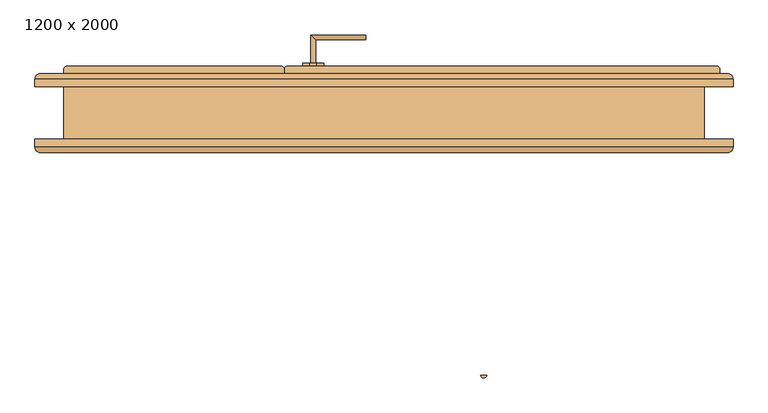
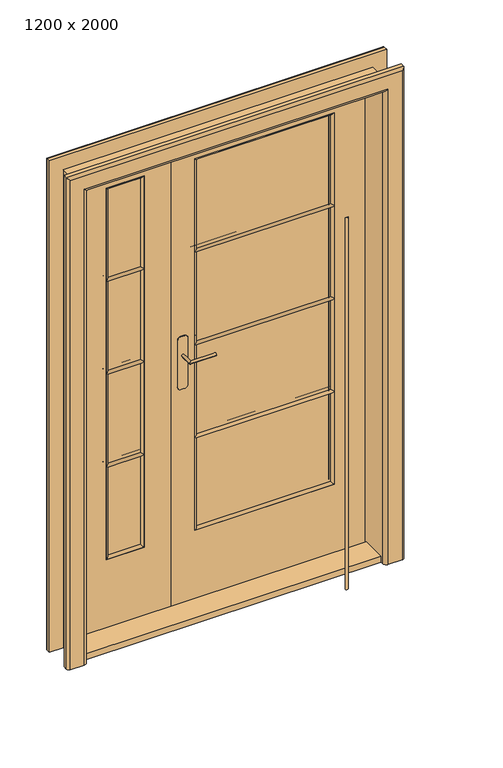
"""IFC4 building model written with IfcOpenShell, lengths in millimetres: door geometry, 1200 x 2000."""

from ifc_helpers import new_model, si_unit, point, frame, frame_2d, origin, origin_with_axes, place, context, project, spatial, polyline, circle_curve, ellipse_curve, trimmed, segment, composite_curve, outline, extrude, source, transform, mapped, element, save
from ifc_brep_helpers import plane_surface, cylinder_surface, advanced_brep


def door_1200_x_2000_8d7d0567(model_context):
    return source(origin(), model_context, "Body", "SolidModel", [
        extrude(outline(polyline([(200.0, 95.0), (50.0, 95.0), (50.0, 105.0), (200.0, 105.0), (200.0, 95.0)])), frame((0.0, 0.0, 300.0), z_axis=(0.0, 0.0, 1.0), x_axis=(1.0, 0.0, 0.0)), (0.0, 0.0, 1.0), 1550.0),
        advanced_brep(
        [(-125.0, 100.0, 1985.0), (-115.0, 100.0, 1985.0), (-115.0, 85.0, 1985.0), (305.0, 85.0, 1985.0), (305.0, 100.0, 1985.0), (295.0, 100.0, 1985.0), (295.0, 108.0, 1985.0), (288.0, 115.0, 1985.0), (-118.0, 115.0, 1985.0), (-125.0, 108.0, 1985.0), (-125.0, 100.0, 0.0), (-125.0, 108.0, 0.0), (-118.0, 115.0, 0.0), (288.0, 115.0, 0.0), (295.0, 108.0, 0.0), (295.0, 100.0, 0.0), (305.0, 100.0, 0.0), (305.0, 85.0, 0.0), (-115.0, 85.0, 0.0), (-115.0, 100.0, 0.0), (200.0, 85.0, 300.0), (50.0, 85.0, 300.0), (50.0, 85.0, 1850.0), (200.0, 85.0, 1850.0), (50.0, 115.0, 300.0), (200.0, 115.0, 300.0), (200.0, 115.0, 1850.0), (50.0, 115.0, 1850.0)],
        [
            (0, 1),
            (1, 2),
            (2, 3),
            (3, 4),
            (4, 5),
            (5, 6),
            (6, 7, circle_curve(frame((288.0, 108.0, 1985.0), z_axis=(0.0, 0.0, 1.0), x_axis=(1.0, 0.0, 0.0)), 7.0)),
            (7, 8),
            (8, 9, circle_curve(frame((-118.0, 108.0, 1985.0), z_axis=(0.0, 0.0, 1.0), x_axis=(1.0, 0.0, 0.0)), 7.0)),
            (9, 0),
            (10, 11),
            (11, 12, circle_curve(frame((-118.0, 108.0, 0.0), z_axis=(0.0, 0.0, -1.0), x_axis=(1.0, 0.0, 0.0)), 7.0)),
            (12, 13),
            (13, 14, circle_curve(frame((288.0, 108.0, 0.0), z_axis=(0.0, 0.0, -1.0), x_axis=(1.0, 0.0, 0.0)), 7.0)),
            (14, 15),
            (15, 16),
            (16, 17),
            (17, 18),
            (18, 19),
            (19, 10),
            (0, 10),
            (19, 1),
            (18, 2),
            (17, 3),
            (20, 21),
            (21, 22),
            (22, 23),
            (23, 20),
            (16, 4),
            (15, 5),
            (14, 6),
            (13, 7),
            (12, 8),
            (24, 25),
            (25, 26),
            (26, 27),
            (27, 24),
            (11, 9),
            (20, 25),
            (24, 21),
            (23, 26),
            (22, 27),
        ],
        [
            plane_surface(frame((-115.0, 100.0, 1985.0), z_axis=(0.0, 0.0, 1.0), x_axis=(1.0, 0.0, 0.0))),
            plane_surface(frame((-115.0, 100.0, 0.0), z_axis=(0.0, 0.0, -1.0), x_axis=(-1.0, 0.0, 0.0))),
            plane_surface(frame((-125.0, 100.0, 1985.0), z_axis=(0.0, -1.0, 0.0), x_axis=(0.0, 0.0, -1.0))),
            plane_surface(frame((-115.0, 100.0, 1985.0), z_axis=(-1.0, 0.0, 0.0), x_axis=(0.0, 0.0, -1.0))),
            plane_surface(frame((-115.0, 85.0, 1985.0), z_axis=(0.0, -1.0, 0.0), x_axis=(0.0, 0.0, -1.0))),
            plane_surface(frame((305.0, 85.0, 1985.0), z_axis=(1.0, 0.0, 0.0), x_axis=(0.0, 0.0, -1.0))),
            plane_surface(frame((305.0, 100.0, 1985.0), z_axis=(0.0, 1.0, 0.0), x_axis=(0.0, 0.0, -1.0))),
            plane_surface(frame((295.0, 100.0, 1985.0), z_axis=(1.0, 0.0, 0.0), x_axis=(0.0, 0.0, -1.0))),
            cylinder_surface(frame((288.0, 108.0, 0.0), z_axis=(0.0, 0.0, 1.0), x_axis=(1.0, 0.0, 0.0)), 7.0),
            plane_surface(frame((288.0, 115.0, 1985.0), z_axis=(0.0, 1.0, 0.0), x_axis=(0.0, 0.0, -1.0))),
            cylinder_surface(frame((-118.0, 108.0, 0.0), z_axis=(0.0, 0.0, 1.0), x_axis=(1.0, 0.0, 0.0)), 7.0),
            plane_surface(frame((-125.0, 108.0, 1985.0), z_axis=(-1.0, 0.0, 0.0), x_axis=(0.0, 0.0, -1.0))),
            plane_surface(frame((50.0, 85.0, 300.0), z_axis=(0.0, 0.0, 1.0), x_axis=(0.0, 1.0, 0.0))),
            plane_surface(frame((200.0, 85.0, 300.0), z_axis=(-1.0, 0.0, 0.0), x_axis=(0.0, 1.0, 0.0))),
            plane_surface(frame((200.0, 85.0, 1850.0), z_axis=(0.0, 0.0, -1.0), x_axis=(0.0, 1.0, 0.0))),
            plane_surface(frame((50.0, 85.0, 1850.0), z_axis=(1.0, 0.0, 0.0), x_axis=(0.0, 1.0, 0.0))),
        ],
        [
            (0, [[1, 2, 3, 4, 5, 6, 7, 8, 9, 10]]),
            (1, [[11, 12, 13, 14, 15, 16, 17, 18, 19, 20]]),
            (2, [[-1, 21, -20, 22]]),
            (3, [[-2, -22, -19, 23]]),
            (4, [[-3, -23, -18, 24], [25, 26, 27, 28]]),
            (5, [[-4, -24, -17, 29]]),
            (6, [[-5, -29, -16, 30]]),
            (7, [[-6, -30, -15, 31]]),
            (8, [[-7, -31, -14, 32]]),
            (9, [[-8, -32, -13, 33], [34, 35, 36, 37]]),
            (10, [[-9, -33, -12, 38]]),
            (11, [[-10, -38, -11, -21]]),
            (12, [[39, -34, 40, -25]]),
            (13, [[-39, -28, 41, -35]]),
            (14, [[-41, -27, 42, -36]]),
            (15, [[-40, -37, -42, -26]]),
        ],
    ),
        extrude(outline(composite_curve([segment(trimmed(circle_curve(frame_2d((675.0, -473.75)), 6.25), [point((681.1237244, -475.0))], [point((668.8762756, -475.0))], False, "CARTESIAN"), True, "CONTINUOUS"), segment(polyline([(668.8762756, -475.0), (681.1237244, -475.0)]), True, "CONTINUOUS")], self_intersect=False)), frame((0.0, 0.0, 300.0), z_axis=(0.0, 0.0, 1.0), x_axis=(1.0, 0.0, 0.0)), (0.0, 0.0, 1.0), 1550.0),
        extrude(outline(polyline([(950.0, 95.0), (400.0, 95.0), (400.0, 105.0), (950.0, 105.0), (950.0, 95.0)])), frame((0.0, 0.0, 300.0), z_axis=(0.0, 0.0, 1.0), x_axis=(1.0, 0.0, 0.0)), (0.0, 0.0, 1.0), 1550.0),
        advanced_brep(
        [(1115.0, 85.0, 1985.0), (1115.0, 100.0, 1985.0), (1125.0, 100.0, 1985.0), (1125.0, 108.0, 1985.0), (1118.0, 115.0, 1985.0), (302.0, 115.0, 1985.0), (295.0, 108.0, 1985.0), (295.0, 100.0, 1985.0), (305.0, 100.0, 1985.0), (305.0, 85.0, 1985.0), (1115.0, 85.0, 0.0), (305.0, 85.0, 0.0), (305.0, 100.0, 0.0), (295.0, 100.0, 0.0), (295.0, 108.0, 0.0), (302.0, 115.0, 0.0), (1118.0, 115.0, 0.0), (1125.0, 108.0, 0.0), (1125.0, 100.0, 0.0), (1115.0, 100.0, 0.0), (400.0, 115.0, 300.0), (950.0, 115.0, 300.0), (950.0, 115.0, 1850.0), (400.0, 115.0, 1850.0), (950.0, 85.0, 300.0), (400.0, 85.0, 300.0), (400.0, 85.0, 1850.0), (950.0, 85.0, 1850.0)],
        [
            (0, 1),
            (1, 2),
            (2, 3),
            (3, 4, circle_curve(frame((1118.0, 108.0, 1985.0), z_axis=(0.0, 0.0, 1.0), x_axis=(1.0, 0.0, 0.0)), 7.0)),
            (4, 5),
            (5, 6, circle_curve(frame((302.0, 108.0, 1985.0), z_axis=(0.0, 0.0, 1.0), x_axis=(1.0, 0.0, 0.0)), 7.0)),
            (6, 7),
            (7, 8),
            (8, 9),
            (9, 0),
            (10, 11),
            (11, 12),
            (12, 13),
            (13, 14),
            (14, 15, circle_curve(frame((302.0, 108.0, 0.0), z_axis=(0.0, 0.0, -1.0), x_axis=(1.0, 0.0, 0.0)), 7.0)),
            (15, 16),
            (16, 17, circle_curve(frame((1118.0, 108.0, 0.0), z_axis=(0.0, 0.0, -1.0), x_axis=(1.0, 0.0, 0.0)), 7.0)),
            (17, 18),
            (18, 19),
            (19, 10),
            (0, 10),
            (19, 1),
            (18, 2),
            (17, 3),
            (16, 4),
            (15, 5),
            (20, 21),
            (21, 22),
            (22, 23),
            (23, 20),
            (14, 6),
            (13, 7),
            (12, 8),
            (11, 9),
            (24, 25),
            (25, 26),
            (26, 27),
            (27, 24),
            (24, 21),
            (20, 25),
            (27, 22),
            (26, 23),
        ],
        [
            plane_surface(frame((1115.0, 100.0, 1985.0), z_axis=(0.0, 0.0, 1.0), x_axis=(0.0, 1.0, 0.0))),
            plane_surface(frame((1115.0, 100.0, 0.0), z_axis=(0.0, 0.0, -1.0), x_axis=(0.0, -1.0, 0.0))),
            plane_surface(frame((1115.0, 85.0, 1985.0), z_axis=(1.0, 0.0, 0.0), x_axis=(0.0, 0.0, -1.0))),
            plane_surface(frame((1115.0, 100.0, 1985.0), z_axis=(0.0, -1.0, 0.0), x_axis=(0.0, 0.0, -1.0))),
            plane_surface(frame((1125.0, 100.0, 1985.0), z_axis=(1.0, 0.0, 0.0), x_axis=(0.0, 0.0, -1.0))),
            cylinder_surface(frame((1118.0, 108.0, 0.0), z_axis=(0.0, 0.0, 1.0), x_axis=(1.0, 0.0, 0.0)), 7.0),
            plane_surface(frame((1118.0, 115.0, 1985.0), z_axis=(0.0, 1.0, 0.0), x_axis=(0.0, 0.0, -1.0))),
            cylinder_surface(frame((302.0, 108.0, 0.0), z_axis=(0.0, 0.0, 1.0), x_axis=(1.0, 0.0, 0.0)), 7.0),
            plane_surface(frame((295.0, 108.0, 1985.0), z_axis=(-1.0, 0.0, 0.0), x_axis=(0.0, 0.0, -1.0))),
            plane_surface(frame((295.0, 100.0, 1985.0), z_axis=(0.0, -1.0, 0.0), x_axis=(0.0, 0.0, -1.0))),
            plane_surface(frame((305.0, 100.0, 1985.0), z_axis=(-1.0, 0.0, 0.0), x_axis=(0.0, 0.0, -1.0))),
            plane_surface(frame((305.0, 85.0, 1985.0), z_axis=(0.0, -1.0, 0.0), x_axis=(0.0, 0.0, -1.0))),
            plane_surface(frame((400.0, 85.0, 300.0), z_axis=(0.0, 0.0, 1.0), x_axis=(0.0, 1.0, 0.0))),
            plane_surface(frame((950.0, 85.0, 300.0), z_axis=(-1.0, 0.0, 0.0), x_axis=(0.0, 1.0, 0.0))),
            plane_surface(frame((950.0, 85.0, 1850.0), z_axis=(0.0, 0.0, -1.0), x_axis=(0.0, 1.0, 0.0))),
            plane_surface(frame((400.0, 85.0, 1850.0), z_axis=(1.0, 0.0, 0.0), x_axis=(0.0, 1.0, 0.0))),
        ],
        [
            (0, [[1, 2, 3, 4, 5, 6, 7, 8, 9, 10]]),
            (1, [[11, 12, 13, 14, 15, 16, 17, 18, 19, 20]]),
            (2, [[-1, 21, -20, 22]]),
            (3, [[-2, -22, -19, 23]]),
            (4, [[-3, -23, -18, 24]]),
            (5, [[-4, -24, -17, 25]]),
            (6, [[-5, -25, -16, 26], [27, 28, 29, 30]]),
            (7, [[-6, -26, -15, 31]]),
            (8, [[-7, -31, -14, 32]]),
            (9, [[-8, -32, -13, 33]]),
            (10, [[-9, -33, -12, 34]]),
            (11, [[-10, -34, -11, -21], [35, 36, 37, 38]]),
            (12, [[39, -27, 40, -35]]),
            (13, [[-39, -38, 41, -28]]),
            (14, [[-41, -37, 42, -29]]),
            (15, [[-40, -30, -42, -36]]),
        ],
    ),
        advanced_brep(
        [(-180.0, -25.0, 0.0), (-125.0, -25.0, 0.0), (-125.0, 75.0, 0.0), (-180.0, 75.0, 0.0), (-180.0, 90.0, 0.0), (-170.0, 100.0, 0.0), (-115.0, 100.0, 0.0), (-115.0, 85.0, 0.0), (-100.0, 85.0, 0.0), (-100.0, -35.0, 0.0), (-115.0, -50.0, 0.0), (-170.0, -50.0, 0.0), (-180.0, -40.0, 0.0), (-180.0, -25.0, 2050.0), (1150.0, -25.0, 2050.0), (1150.0, -25.0, 0.0), (1095.0, -25.0, 0.0), (1095.0, -25.0, 1995.0), (-125.0, -25.0, 1995.0), (-125.0, 75.0, 1995.0), (1095.0, 75.0, 1995.0), (1095.0, 75.0, 0.0), (1150.0, 75.0, 0.0), (1150.0, 75.0, 2050.0), (-180.0, 75.0, 2050.0), (-180.0, 90.0, 2050.0), (-170.0, 100.0, 2040.0), (1140.0, 100.0, 2040.0), (1140.0, 100.0, 0.0), (1085.0, 100.0, 0.0), (1085.0, 100.0, 1985.0), (-115.0, 100.0, 1985.0), (-115.0, 85.0, 1985.0), (1085.0, 85.0, 1985.0), (1085.0, 85.0, 0.0), (1070.0, 85.0, 0.0), (1070.0, 85.0, 1970.0), (-100.0, 85.0, 1970.0), (-100.0, -35.0, 1970.0), (-115.0, -50.0, 1985.0), (1085.0, -50.0, 1985.0), (1085.0, -50.0, 0.0), (1140.0, -50.0, 0.0), (1140.0, -50.0, 2040.0), (-170.0, -50.0, 2040.0), (-180.0, -40.0, 2050.0), (1150.0, 90.0, 2050.0), (1070.0, -35.0, 1970.0), (1150.0, -40.0, 2050.0), (1150.0, -40.0, 0.0), (1070.0, -35.0, 0.0), (1150.0, 90.0, 0.0)],
        [
            (0, 1),
            (1, 2),
            (2, 3),
            (3, 4),
            (4, 5, circle_curve(frame((-170.0, 90.0, 0.0), z_axis=(0.0, 0.0, -1.0), x_axis=(-1.0, 0.0, 0.0)), 10.0)),
            (5, 6),
            (6, 7),
            (7, 8),
            (8, 9),
            (9, 10, circle_curve(frame((-115.0, -35.0, 0.0), z_axis=(0.0, 0.0, -1.0), x_axis=(-1.0, 0.0, 0.0)), 15.0)),
            (10, 11),
            (11, 12, circle_curve(frame((-170.0, -40.0, 0.0), z_axis=(0.0, 0.0, -1.0), x_axis=(-1.0, 0.0, 0.0)), 10.0)),
            (12, 0),
            (0, 13),
            (13, 14),
            (14, 15),
            (15, 16),
            (16, 17),
            (17, 18),
            (18, 1),
            (18, 19),
            (19, 2),
            (19, 20),
            (20, 21),
            (21, 22),
            (22, 23),
            (23, 24),
            (24, 3),
            (24, 25),
            (25, 4),
            (25, 26, ellipse_curve(frame((-170.0, 90.0, 2040.0), z_axis=(-0.7071067811865475, 0.0, -0.7071067811865475), x_axis=(0.7071067811865474, 0.0, -0.7071067811865476)), 14.1421356, 10.0)),
            (26, 5),
            (26, 27),
            (27, 28),
            (28, 29),
            (29, 30),
            (30, 31),
            (31, 6),
            (31, 32),
            (32, 7),
            (32, 33),
            (33, 34),
            (34, 35),
            (35, 36),
            (36, 37),
            (37, 8),
            (37, 38),
            (38, 9),
            (38, 39, ellipse_curve(frame((-115.0, -35.0, 1985.0), z_axis=(-0.7071067811865475, 0.0, -0.7071067811865475), x_axis=(0.7071067811865474, 0.0, -0.7071067811865476)), 21.2132034, 15.0)),
            (39, 10),
            (39, 40),
            (40, 41),
            (41, 42),
            (42, 43),
            (43, 44),
            (44, 11),
            (44, 45, ellipse_curve(frame((-170.0, -40.0, 2040.0), z_axis=(-0.7071067811865475, 0.0, -0.7071067811865475), x_axis=(0.7071067811865474, 0.0, -0.7071067811865476)), 14.1421356, 10.0)),
            (45, 12),
            (45, 13),
            (17, 20),
            (23, 46),
            (46, 25),
            (46, 27, ellipse_curve(frame((1140.0, 90.0, 2040.0), z_axis=(-0.7071067811865475, 0.0, 0.7071067811865475), x_axis=(-0.7071067811865476, 0.0, -0.7071067811865474)), 14.1421356, 10.0)),
            (30, 33),
            (36, 47),
            (47, 38),
            (47, 40, ellipse_curve(frame((1085.0, -35.0, 1985.0), z_axis=(-0.7071067811865475, 0.0, 0.7071067811865475), x_axis=(-0.7071067811865476, 0.0, -0.7071067811865474)), 21.2132034, 15.0)),
            (43, 48, ellipse_curve(frame((1140.0, -40.0, 2040.0), z_axis=(-0.7071067811865475, 0.0, 0.7071067811865475), x_axis=(-0.7071067811865476, 0.0, -0.7071067811865474)), 14.1421356, 10.0)),
            (48, 45),
            (48, 14),
            (15, 49),
            (49, 42, circle_curve(frame((1140.0, -40.0, 0.0), z_axis=(0.0, 0.0, -1.0), x_axis=(1.0, 0.0, 0.0)), 10.0)),
            (41, 50, circle_curve(frame((1085.0, -35.0, 0.0), z_axis=(0.0, 0.0, -1.0), x_axis=(1.0, 0.0, 0.0)), 15.0)),
            (50, 35),
            (34, 29),
            (28, 51, circle_curve(frame((1140.0, 90.0, 0.0), z_axis=(0.0, 0.0, -1.0), x_axis=(1.0, 0.0, 0.0)), 10.0)),
            (51, 22),
            (21, 16),
            (51, 46),
            (50, 47),
            (49, 48),
        ],
        [
            plane_surface(frame((-180.0, -67.3457432, 0.0), z_axis=(0.0, 0.0, -1.0), x_axis=(1.0, 0.0, 0.0))),
            plane_surface(frame((-180.0, -25.0, 0.0), z_axis=(0.0, 1.0, 0.0), x_axis=(0.0, 0.0, 1.0))),
            plane_surface(frame((-125.0, -25.0, 0.0), z_axis=(-1.0, 0.0, 0.0), x_axis=(0.0, 0.0, 1.0))),
            plane_surface(frame((-125.0, 75.0, 0.0), z_axis=(0.0, -1.0, 0.0), x_axis=(0.0, 0.0, 1.0))),
            plane_surface(frame((-180.0, 75.0, 0.0), z_axis=(-1.0, 0.0, 0.0), x_axis=(0.0, 0.0, 1.0))),
            cylinder_surface(frame((-170.0, 90.0, 0.0), z_axis=(0.0, 0.0, -1.0), x_axis=(-1.0, 0.0, 0.0)), 10.0),
            plane_surface(frame((-170.0, 100.0, 0.0), z_axis=(0.0, 1.0, 0.0), x_axis=(0.0, 0.0, 1.0))),
            plane_surface(frame((-115.0, 100.0, 0.0), z_axis=(1.0, 0.0, 0.0), x_axis=(0.0, 0.0, 1.0))),
            plane_surface(frame((-115.0, 85.0, 0.0), z_axis=(0.0, 1.0, 0.0), x_axis=(0.0, 0.0, 1.0))),
            plane_surface(frame((-100.0, 85.0, 0.0), z_axis=(1.0, 0.0, 0.0), x_axis=(0.0, 0.0, 1.0))),
            cylinder_surface(frame((-115.0, -35.0, 0.0), z_axis=(0.0, 0.0, -1.0), x_axis=(-1.0, 0.0, 0.0)), 15.0),
            plane_surface(frame((-115.0, -50.0, 0.0), z_axis=(0.0, -1.0, 0.0), x_axis=(0.0, 0.0, 1.0))),
            cylinder_surface(frame((-170.0, -40.0, 0.0), z_axis=(0.0, 0.0, -1.0), x_axis=(-1.0, 0.0, 0.0)), 10.0),
            plane_surface(frame((-180.0, -40.0, 0.0), z_axis=(-1.0, 0.0, 0.0), x_axis=(0.0, 0.0, 1.0))),
            plane_surface(frame((-125.0, -25.0, 1995.0), z_axis=(0.0, 0.0, 1.0), x_axis=(1.0, 0.0, 0.0))),
            plane_surface(frame((-180.0, 75.0, 2050.0), z_axis=(0.0, 0.0, 1.0), x_axis=(1.0, 0.0, 0.0))),
            cylinder_surface(frame((-180.0, 90.0, 2040.0), z_axis=(-1.0, 0.0, 0.0), x_axis=(0.0, 0.0, 1.0)), 10.0),
            plane_surface(frame((-115.0, 100.0, 1985.0), z_axis=(0.0, 0.0, -1.0), x_axis=(1.0, 0.0, 0.0))),
            plane_surface(frame((-100.0, 85.0, 1970.0), z_axis=(0.0, 0.0, -1.0), x_axis=(1.0, 0.0, 0.0))),
            cylinder_surface(frame((-180.0, -35.0, 1985.0), z_axis=(-1.0, 0.0, 0.0), x_axis=(0.0, 0.0, 1.0)), 15.0),
            cylinder_surface(frame((-180.0, -40.0, 2040.0), z_axis=(-1.0, 0.0, 0.0), x_axis=(0.0, 0.0, 1.0)), 10.0),
            plane_surface(frame((-180.0, -40.0, 2050.0), z_axis=(0.0, 0.0, 1.0), x_axis=(1.0, 0.0, 0.0))),
            plane_surface(frame((1150.0, -67.3457432, 0.0), z_axis=(0.0, 0.0, -1.0), x_axis=(-1.0, 0.0, 0.0))),
            plane_surface(frame((1095.0, -25.0, 1995.0), z_axis=(1.0, 0.0, 0.0), x_axis=(0.0, 0.0, -1.0))),
            plane_surface(frame((1150.0, 75.0, 2050.0), z_axis=(1.0, 0.0, 0.0), x_axis=(0.0, 0.0, -1.0))),
            cylinder_surface(frame((1140.0, 90.0, 2050.0), z_axis=(0.0, 0.0, 1.0), x_axis=(1.0, 0.0, 0.0)), 10.0),
            plane_surface(frame((1085.0, 100.0, 1985.0), z_axis=(-1.0, 0.0, 0.0), x_axis=(0.0, 0.0, -1.0))),
            plane_surface(frame((1070.0, 85.0, 1970.0), z_axis=(-1.0, 0.0, 0.0), x_axis=(0.0, 0.0, -1.0))),
            cylinder_surface(frame((1085.0, -35.0, 2050.0), z_axis=(0.0, 0.0, 1.0), x_axis=(1.0, 0.0, 0.0)), 15.0),
            cylinder_surface(frame((1140.0, -40.0, 2050.0), z_axis=(0.0, 0.0, 1.0), x_axis=(1.0, 0.0, 0.0)), 10.0),
            plane_surface(frame((1150.0, -40.0, 2050.0), z_axis=(1.0, 0.0, 0.0), x_axis=(0.0, 0.0, -1.0))),
        ],
        [
            (0, [[1, 2, 3, 4, 5, 6, 7, 8, 9, 10, 11, 12, 13]]),
            (1, [[-1, 14, 15, 16, 17, 18, 19, 20]]),
            (2, [[-2, -20, 21, 22]]),
            (3, [[-3, -22, 23, 24, 25, 26, 27, 28]]),
            (4, [[-4, -28, 29, 30]]),
            (5, [[-5, -30, 31, 32]]),
            (6, [[-6, -32, 33, 34, 35, 36, 37, 38]]),
            (7, [[-7, -38, 39, 40]]),
            (8, [[-8, -40, 41, 42, 43, 44, 45, 46]]),
            (9, [[-9, -46, 47, 48]]),
            (10, [[-10, -48, 49, 50]]),
            (11, [[-11, -50, 51, 52, 53, 54, 55, 56]]),
            (12, [[-12, -56, 57, 58]]),
            (13, [[-13, -58, 59, -14]]),
            (14, [[-19, 60, -23, -21]]),
            (15, [[-27, 61, 62, -29]]),
            (16, [[-31, -62, 63, -33]]),
            (17, [[-37, 64, -41, -39]]),
            (18, [[-45, 65, 66, -47]]),
            (19, [[-49, -66, 67, -51]]),
            (20, [[-55, 68, 69, -57]]),
            (21, [[-15, -59, -69, 70]]),
            (22, [[-17, 71, 72, -53, 73, 74, -43, 75, -35, 76, 77, -25, 78]]),
            (23, [[-18, -78, -24, -60]]),
            (24, [[-26, -77, 79, -61]]),
            (25, [[-34, -63, -79, -76]]),
            (26, [[-36, -75, -42, -64]]),
            (27, [[-44, -74, 80, -65]]),
            (28, [[-52, -67, -80, -73]]),
            (29, [[-54, -72, 81, -68]]),
            (30, [[-16, -70, -81, -71]]),
        ],
    ),
        extrude(outline(composite_curve([segment(trimmed(circle_curve(frame_2d((923.0, 357.0)), 13.0), [point((910.0, 357.0))], [point((923.0, 370.0))], False, "CARTESIAN"), True, "CONTINUOUS"), segment(polyline([(923.0, 370.0), (1117.0, 370.0)]), True, "CONTINUOUS"), segment(trimmed(circle_curve(frame_2d((1117.0, 357.0)), 13.0), [point((1117.0, 370.0))], [point((1130.0, 357.0))], False, "CARTESIAN"), True, "CONTINUOUS"), segment(polyline([(1130.0, 357.0), (1130.0, 343.0)]), True, "CONTINUOUS"), segment(trimmed(circle_curve(frame_2d((1117.0, 343.0)), 13.0), [point((1130.0, 343.0))], [point((1117.0, 330.0))], False, "CARTESIAN"), True, "CONTINUOUS"), segment(polyline([(1117.0, 330.0), (923.0, 330.0)]), True, "CONTINUOUS"), segment(trimmed(circle_curve(frame_2d((923.0, 343.0)), 13.0), [point((923.0, 330.0))], [point((910.0, 343.0))], False, "CARTESIAN"), True, "CONTINUOUS"), segment(polyline([(910.0, 343.0), (910.0, 357.0)]), True, "CONTINUOUS")], self_intersect=False)), frame((0.0, 81.0, 0.0), z_axis=(0.0, 1.0, 0.0), x_axis=(0.0, 0.0, 1.0)), (0.0, 0.0, 1.0), 4.0),
        extrude(outline(composite_curve([segment(trimmed(circle_curve(frame_2d((1117.0, 343.0)), 13.0), [point((1130.0, 343.0))], [point((1117.0, 330.0))], False, "CARTESIAN"), True, "CONTINUOUS"), segment(polyline([(1117.0, 330.0), (923.0, 330.0)]), True, "CONTINUOUS"), segment(trimmed(circle_curve(frame_2d((923.0, 343.0)), 13.0), [point((923.0, 330.0))], [point((910.0, 343.0))], False, "CARTESIAN"), True, "CONTINUOUS"), segment(polyline([(910.0, 343.0), (910.0, 357.0)]), True, "CONTINUOUS"), segment(trimmed(circle_curve(frame_2d((923.0, 357.0)), 13.0), [point((910.0, 357.0))], [point((923.0, 370.0))], False, "CARTESIAN"), True, "CONTINUOUS"), segment(polyline([(923.0, 370.0), (1117.0, 370.0)]), True, "CONTINUOUS"), segment(trimmed(circle_curve(frame_2d((1117.0, 357.0)), 13.0), [point((1117.0, 370.0))], [point((1130.0, 357.0))], False, "CARTESIAN"), True, "CONTINUOUS"), segment(polyline([(1130.0, 357.0), (1130.0, 343.0)]), True, "CONTINUOUS")], self_intersect=False)), frame((0.0, 115.0, 0.0), z_axis=(0.0, 1.0, 0.0), x_axis=(0.0, 0.0, 1.0)), (0.0, 0.0, 1.0), 5.0),
        extrude(outline(polyline([(1070.0, -25.0), (-100.0, -25.0), (-100.0, 75.0), (1070.0, 75.0), (1070.0, -25.0)])), origin_with_axes(), (0.0, 0.0, 1.0), 25.0),
        advanced_brep(
        [(50.0, 115.0, 300.0), (50.0, 105.0, 300.0), (50.0, 105.0, 1850.0), (50.0, 115.0, 1850.0), (60.0, 105.0, 310.0), (60.0, 105.0, 1840.0), (200.0, 105.0, 1850.0), (200.0, 115.0, 1850.0), (190.0, 105.0, 1840.0), (200.0, 105.0, 300.0), (200.0, 115.0, 300.0), (190.0, 105.0, 310.0)],
        [
            (0, 1),
            (1, 2),
            (2, 3),
            (3, 0),
            (4, 0, ellipse_curve(frame((50.0, 105.0, 300.0), z_axis=(-0.7071067811865475, 0.0, 0.7071067811865475), x_axis=(-0.7071067811865474, 0.0, -0.7071067811865476)), 14.1421356, 10.0)),
            (3, 5, ellipse_curve(frame((50.0, 105.0, 1850.0), z_axis=(-0.7071067811865475, 0.0, -0.7071067811865475), x_axis=(0.7071067811865474, 0.0, -0.7071067811865476)), 14.1421356, 10.0)),
            (5, 4),
            (2, 6),
            (6, 7),
            (7, 3),
            (7, 8, ellipse_curve(frame((200.0, 105.0, 1850.0), z_axis=(-0.7071067811865475, 0.0, 0.7071067811865475), x_axis=(-0.7071067811865476, 0.0, -0.7071067811865474)), 14.1421356, 10.0)),
            (8, 5),
            (6, 9),
            (9, 10),
            (10, 7),
            (10, 11, ellipse_curve(frame((200.0, 105.0, 300.0), z_axis=(0.7071067811865475, 0.0, 0.7071067811865475), x_axis=(-0.7071067811865474, 0.0, 0.7071067811865476)), 14.1421356, 10.0)),
            (11, 8),
            (9, 1),
            (0, 10),
            (4, 11),
        ],
        [
            plane_surface(frame((50.0, 105.0, 300.0), z_axis=(-1.0, 0.0, 0.0), x_axis=(0.0, 0.0, 1.0))),
            cylinder_surface(frame((50.0, 105.0, 300.0), z_axis=(0.0, 0.0, -1.0), x_axis=(-1.0, 0.0, 0.0)), 10.0),
            plane_surface(frame((50.0, 105.0, 1850.0), z_axis=(0.0, 0.0, 1.0), x_axis=(1.0, 0.0, 0.0))),
            cylinder_surface(frame((50.0, 105.0, 1850.0), z_axis=(-1.0, 0.0, 0.0), x_axis=(0.0, 0.0, 1.0)), 10.0),
            plane_surface(frame((200.0, 105.0, 1850.0), z_axis=(1.0, 0.0, 0.0), x_axis=(0.0, 0.0, -1.0))),
            cylinder_surface(frame((200.0, 105.0, 1850.0), z_axis=(0.0, 0.0, 1.0), x_axis=(1.0, 0.0, 0.0)), 10.0),
            plane_surface(frame((200.0, 105.0, 300.0), z_axis=(0.0, 0.0, -1.0), x_axis=(-1.0, 0.0, 0.0))),
            cylinder_surface(frame((200.0, 105.0, 300.0), z_axis=(1.0, 0.0, 0.0), x_axis=(0.0, 0.0, -1.0)), 10.0),
            plane_surface(frame((190.0, 105.0, 310.0), z_axis=(0.0, -1.0, 0.0), x_axis=(-1.0, 0.0, 0.0))),
        ],
        [
            (0, [[1, 2, 3, 4]]),
            (1, [[5, -4, 6, 7]]),
            (2, [[-3, 8, 9, 10]]),
            (3, [[-6, -10, 11, 12]]),
            (4, [[-9, 13, 14, 15]]),
            (5, [[-11, -15, 16, 17]]),
            (6, [[-14, 18, -1, 19]]),
            (7, [[-16, -19, -5, 20]]),
            (8, [[-18, -13, -8, -2], [-12, -17, -20, -7]]),
        ],
    ),
        advanced_brep(
        [(200.0, 85.0529432, 300.0), (200.0, 95.0, 300.0), (200.0, 95.0, 1850.0), (200.0, 85.0529432, 1850.0), (190.0529432, 95.0, 309.9470568), (190.0529432, 95.0, 1840.0529432), (50.0, 95.0, 1850.0), (50.0, 85.0529432, 1850.0), (59.9470568, 95.0, 1840.0529432), (50.0, 95.0, 300.0), (50.0, 85.0529432, 300.0), (59.9470568, 95.0, 309.9470568)],
        [
            (0, 1),
            (1, 2),
            (2, 3),
            (3, 0),
            (4, 0, ellipse_curve(frame((200.0, 95.0, 300.0), z_axis=(0.7071067811865475, 0.0, 0.7071067811865475), x_axis=(0.7071067811865474, 0.0, -0.7071067811865476)), 14.0672627, 9.9470568)),
            (3, 5, ellipse_curve(frame((200.0, 95.0, 1850.0), z_axis=(0.7071067811865475, 0.0, -0.7071067811865475), x_axis=(-0.7071067811865474, 0.0, -0.7071067811865476)), 14.0672627, 9.9470568)),
            (5, 4),
            (2, 6),
            (6, 7),
            (7, 3),
            (7, 8, ellipse_curve(frame((50.0, 95.0, 1850.0), z_axis=(0.7071067811865475, 0.0, 0.7071067811865475), x_axis=(0.7071067811865476, 0.0, -0.7071067811865474)), 14.0672627, 9.9470568)),
            (8, 5),
            (6, 9),
            (9, 10),
            (10, 7),
            (10, 11, ellipse_curve(frame((50.0, 95.0, 300.0), z_axis=(-0.7071067811865475, 0.0, 0.7071067811865475), x_axis=(0.7071067811865474, 0.0, 0.7071067811865476)), 14.0672627, 9.9470568)),
            (11, 8),
            (9, 1),
            (0, 10),
            (4, 11),
        ],
        [
            plane_surface(frame((200.0, 95.0, 300.0), z_axis=(1.0, 0.0, 0.0), x_axis=(0.0, 0.0, 1.0))),
            cylinder_surface(frame((200.0, 95.0, 300.0), z_axis=(0.0, 0.0, -1.0), x_axis=(1.0, 0.0, 0.0)), 9.9470568),
            plane_surface(frame((200.0, 95.0, 1850.0), z_axis=(0.0, 0.0, 1.0), x_axis=(-1.0, 0.0, 0.0))),
            cylinder_surface(frame((200.0, 95.0, 1850.0), z_axis=(1.0, 0.0, 0.0), x_axis=(0.0, 0.0, 1.0)), 9.9470568),
            plane_surface(frame((50.0, 95.0, 1850.0), z_axis=(-1.0, 0.0, 0.0), x_axis=(0.0, 0.0, -1.0))),
            cylinder_surface(frame((50.0, 95.0, 1850.0), z_axis=(0.0, 0.0, 1.0), x_axis=(-1.0, 0.0, 0.0)), 9.9470568),
            plane_surface(frame((50.0, 95.0, 300.0), z_axis=(0.0, 0.0, -1.0), x_axis=(1.0, 0.0, 0.0))),
            cylinder_surface(frame((50.0, 95.0, 300.0), z_axis=(-1.0, 0.0, 0.0), x_axis=(0.0, 0.0, -1.0)), 9.9470568),
            plane_surface(frame((59.9470568, 95.0, 309.9470568), z_axis=(0.0, 1.0, 0.0), x_axis=(1.0, 0.0, 0.0))),
        ],
        [
            (0, [[1, 2, 3, 4]]),
            (1, [[5, -4, 6, 7]]),
            (2, [[-3, 8, 9, 10]]),
            (3, [[-6, -10, 11, 12]]),
            (4, [[-9, 13, 14, 15]]),
            (5, [[-11, -15, 16, 17]]),
            (6, [[-14, 18, -1, 19]]),
            (7, [[-16, -19, -5, 20]]),
            (8, [[-18, -13, -8, -2], [-12, -17, -20, -7]]),
        ],
    ),
        extrude(outline(composite_curve([segment(polyline([(95.0, 1467.4355648), (95.0, 1457.4520143)]), True, "CONTINUOUS"), segment(trimmed(circle_curve(frame_2d((91.245733, 1462.4437895)), 6.245986), [point((95.0, 1457.4520143))], [point((95.0, 1467.4355648))], False, "CARTESIAN"), True, "CONTINUOUS")], self_intersect=False)), frame((50.0, 0.0, 0.0), z_axis=(1.0, 0.0, 0.0), x_axis=(0.0, 1.0, 0.0)), (0.0, 0.0, 1.0), 150.0),
        extrude(outline(composite_curve([segment(polyline([(95.0, 1079.901121), (95.0, 1070.1984377)]), True, "CONTINUOUS"), segment(trimmed(circle_curve(frame_2d((91.1766519, 1075.0497794)), 6.1768525), [point((95.0, 1070.1984377))], [point((95.0, 1079.901121))], False, "CARTESIAN"), True, "CONTINUOUS")], self_intersect=False)), frame((50.0, 0.0, 0.0), z_axis=(1.0, 0.0, 0.0), x_axis=(0.0, 1.0, 0.0)), (0.0, 0.0, 1.0), 150.0),
        extrude(outline(composite_curve([segment(polyline([(95.0, 692.5), (95.0, 682.5)]), True, "CONTINUOUS"), segment(trimmed(circle_curve(frame_2d((91.25, 687.5)), 6.25), [point((95.0, 682.5))], [point((95.0, 692.5))], False, "CARTESIAN"), True, "CONTINUOUS")], self_intersect=False)), frame((50.0, 0.0, 0.0), z_axis=(1.0, 0.0, 0.0), x_axis=(0.0, 1.0, 0.0)), (0.0, 0.0, 1.0), 150.0),
        extrude(outline(composite_curve([segment(trimmed(circle_curve(frame_2d((108.75, 1462.5)), 6.25), [point((105.0, 1467.5))], [point((105.0, 1457.5))], False, "CARTESIAN"), True, "CONTINUOUS"), segment(polyline([(105.0, 1457.5), (105.0, 1467.5)]), True, "CONTINUOUS")], self_intersect=False)), frame((50.0, 0.0, 0.0), z_axis=(1.0, 0.0, 0.0), x_axis=(0.0, 1.0, 0.0)), (0.0, 0.0, 1.0), 150.0),
        extrude(outline(composite_curve([segment(trimmed(circle_curve(frame_2d((108.75, 1075.0)), 6.25), [point((105.0, 1080.0))], [point((105.0, 1070.0))], False, "CARTESIAN"), True, "CONTINUOUS"), segment(polyline([(105.0, 1070.0), (105.0, 1080.0)]), True, "CONTINUOUS")], self_intersect=False)), frame((50.0, 0.0, 0.0), z_axis=(1.0, 0.0, 0.0), x_axis=(0.0, 1.0, 0.0)), (0.0, 0.0, 1.0), 150.0),
        extrude(outline(composite_curve([segment(trimmed(circle_curve(frame_2d((108.75, 687.5)), 6.25), [point((105.0, 692.5))], [point((105.0, 682.5))], False, "CARTESIAN"), True, "CONTINUOUS"), segment(polyline([(105.0, 682.5), (105.0, 692.5)]), True, "CONTINUOUS")], self_intersect=False)), frame((50.0, 0.0, 0.0), z_axis=(1.0, 0.0, 0.0), x_axis=(0.0, 1.0, 0.0)), (0.0, 0.0, 1.0), 150.0),
        extrude(outline(composite_curve([segment(polyline([(680.0710405, 105.0), (670.0710405, 105.0)]), True, "CONTINUOUS"), segment(trimmed(circle_curve(frame_2d((675.0710405, 108.6707183)), 6.2027553), [point((670.0710405, 105.0))], [point((680.0710405, 105.0))], False, "CARTESIAN"), True, "CONTINUOUS")], self_intersect=False)), frame((0.0, 0.0, 300.0), z_axis=(0.0, 0.0, 1.0), x_axis=(1.0, 0.0, 0.0)), (0.0, 0.0, 1.0), 1550.0),
        extrude(outline(composite_curve([segment(polyline([(95.0, 1079.901121), (95.0, 1070.1984377)]), True, "CONTINUOUS"), segment(trimmed(circle_curve(frame_2d((91.1766519, 1075.0497794)), 6.1768525), [point((95.0, 1070.1984377))], [point((95.0, 1079.901121))], False, "CARTESIAN"), True, "CONTINUOUS")], self_intersect=False)), frame((400.0, 0.0, 0.0), z_axis=(1.0, 0.0, 0.0), x_axis=(0.0, 1.0, 0.0)), (0.0, 0.0, 1.0), 550.0),
        extrude(outline(composite_curve([segment(trimmed(circle_curve(frame_2d((91.245733, 1462.4437895)), 6.245986), [point((95.0, 1457.4520143))], [point((95.0, 1467.4355648))], False, "CARTESIAN"), True, "CONTINUOUS"), segment(polyline([(95.0, 1467.4355648), (95.0, 1457.4520143)]), True, "CONTINUOUS")], self_intersect=False)), frame((400.0, 0.0, 0.0), z_axis=(1.0, 0.0, 0.0), x_axis=(0.0, 1.0, 0.0)), (0.0, 0.0, 1.0), 550.0),
        extrude(outline(composite_curve([segment(polyline([(95.0, 692.5), (95.0, 682.5)]), True, "CONTINUOUS"), segment(trimmed(circle_curve(frame_2d((91.25, 687.5)), 6.25), [point((95.0, 682.5))], [point((95.0, 692.5))], False, "CARTESIAN"), True, "CONTINUOUS")], self_intersect=False)), frame((400.0, 0.0, 0.0), z_axis=(1.0, 0.0, 0.0), x_axis=(0.0, 1.0, 0.0)), (0.0, 0.0, 1.0), 550.0),
        extrude(outline(composite_curve([segment(trimmed(circle_curve(frame_2d((108.75, 1462.5)), 6.25), [point((105.0, 1467.5))], [point((105.0, 1457.5))], False, "CARTESIAN"), True, "CONTINUOUS"), segment(polyline([(105.0, 1457.5), (105.0, 1467.5)]), True, "CONTINUOUS")], self_intersect=False)), frame((400.0, 0.0, 0.0), z_axis=(1.0, 0.0, 0.0), x_axis=(0.0, 1.0, 0.0)), (0.0, 0.0, 1.0), 550.0),
        extrude(outline(composite_curve([segment(trimmed(circle_curve(frame_2d((108.75, 1075.0)), 6.25), [point((105.0, 1080.0))], [point((105.0, 1070.0))], False, "CARTESIAN"), True, "CONTINUOUS"), segment(polyline([(105.0, 1070.0), (105.0, 1080.0)]), True, "CONTINUOUS")], self_intersect=False)), frame((400.0, 0.0, 0.0), z_axis=(1.0, 0.0, 0.0), x_axis=(0.0, 1.0, 0.0)), (0.0, 0.0, 1.0), 550.0),
        extrude(outline(composite_curve([segment(trimmed(circle_curve(frame_2d((108.75, 687.5)), 6.25), [point((105.0, 692.5))], [point((105.0, 682.5))], False, "CARTESIAN"), True, "CONTINUOUS"), segment(polyline([(105.0, 682.5), (105.0, 692.5)]), True, "CONTINUOUS")], self_intersect=False)), frame((400.0, 0.0, 0.0), z_axis=(1.0, 0.0, 0.0), x_axis=(0.0, 1.0, 0.0)), (0.0, 0.0, 1.0), 550.0),
        advanced_brep(
        [(400.0, 115.0, 300.0), (400.0, 105.0, 300.0), (400.0, 105.0, 1850.0), (400.0, 115.0, 1850.0), (410.0, 105.0, 310.0), (410.0, 105.0, 1840.0), (950.0, 105.0, 1850.0), (950.0, 115.0, 1850.0), (940.0, 105.0, 1840.0), (950.0, 105.0, 300.0), (940.0, 105.0, 310.0), (950.0, 115.0, 300.0)],
        [
            (0, 1),
            (1, 2),
            (2, 3),
            (3, 0),
            (4, 0, ellipse_curve(frame((400.0, 105.0, 300.0), z_axis=(-0.7071067811865475, 0.0, 0.7071067811865475), x_axis=(-0.7071067811865474, 0.0, -0.7071067811865476)), 14.1421356, 10.0)),
            (3, 5, ellipse_curve(frame((400.0, 105.0, 1850.0), z_axis=(-0.7071067811865475, 0.0, -0.7071067811865475), x_axis=(0.7071067811865474, 0.0, -0.7071067811865476)), 14.1421356, 10.0)),
            (5, 4),
            (2, 6),
            (6, 7),
            (7, 3),
            (7, 8, ellipse_curve(frame((950.0, 105.0, 1850.0), z_axis=(-0.7071067811865475, 0.0, 0.7071067811865475), x_axis=(-0.7071067811865476, 0.0, -0.7071067811865474)), 14.1421356, 10.0)),
            (8, 5),
            (1, 9),
            (9, 6),
            (8, 10),
            (10, 4),
            (9, 11),
            (11, 7),
            (11, 10, ellipse_curve(frame((950.0, 105.0, 300.0), z_axis=(0.7071067811865475, 0.0, 0.7071067811865475), x_axis=(-0.7071067811865474, 0.0, 0.7071067811865476)), 14.1421356, 10.0)),
            (0, 11),
        ],
        [
            plane_surface(frame((400.0, 105.0, 300.0), z_axis=(-1.0, 0.0, 0.0), x_axis=(0.0, 0.0, 1.0))),
            cylinder_surface(frame((400.0, 105.0, 300.0), z_axis=(0.0, 0.0, -1.0), x_axis=(1.0, 0.0, 0.0)), 10.0),
            plane_surface(frame((400.0, 105.0, 1850.0), z_axis=(0.0, 0.0, 1.0), x_axis=(1.0, 0.0, 0.0))),
            cylinder_surface(frame((400.0, 105.0, 1850.0), z_axis=(-1.0, 0.0, 0.0), x_axis=(0.0, 0.0, -1.0)), 10.0),
            plane_surface(frame((410.0, 105.0, 1840.0), z_axis=(0.0, -1.0, 0.0), x_axis=(1.0, 0.0, 0.0))),
            plane_surface(frame((950.0, 105.0, 1850.0), z_axis=(1.0, 0.0, 0.0), x_axis=(0.0, 0.0, -1.0))),
            cylinder_surface(frame((950.0, 105.0, 1850.0), z_axis=(0.0, 0.0, 1.0), x_axis=(-1.0, 0.0, 0.0)), 10.0),
            plane_surface(frame((950.0, 105.0, 300.0), z_axis=(0.0, 0.0, -1.0), x_axis=(-1.0, 0.0, 0.0))),
            cylinder_surface(frame((950.0, 105.0, 300.0), z_axis=(1.0, 0.0, 0.0), x_axis=(0.0, 0.0, 1.0)), 10.0),
        ],
        [
            (0, [[1, 2, 3, 4]]),
            (1, [[5, -4, 6, 7]]),
            (2, [[-3, 8, 9, 10]]),
            (3, [[-6, -10, 11, 12]]),
            (4, [[-8, -2, 13, 14], [15, 16, -7, -12]]),
            (5, [[-9, -14, 17, 18]]),
            (6, [[-11, -18, 19, -15]]),
            (7, [[-17, -13, -1, 20]]),
            (8, [[-19, -20, -5, -16]]),
        ],
    ),
        advanced_brep(
        [(950.0, 85.0, 300.0), (950.0, 95.0, 300.0), (950.0, 95.0, 1850.0), (950.0, 85.0, 1850.0), (940.0, 95.0, 310.0), (940.0, 95.0, 1840.0), (400.0, 95.0, 1850.0), (400.0, 85.0, 1850.0), (410.0, 95.0, 1840.0), (400.0, 95.0, 300.0), (410.0, 95.0, 310.0), (400.0, 85.0, 300.0)],
        [
            (0, 1),
            (1, 2),
            (2, 3),
            (3, 0),
            (4, 0, ellipse_curve(frame((950.0, 95.0, 300.0), z_axis=(0.7071067811865475, 0.0, 0.7071067811865475), x_axis=(0.7071067811865474, 0.0, -0.7071067811865476)), 14.1421356, 10.0)),
            (3, 5, ellipse_curve(frame((950.0, 95.0, 1850.0), z_axis=(0.7071067811865475, 0.0, -0.7071067811865475), x_axis=(-0.7071067811865474, 0.0, -0.7071067811865476)), 14.1421356, 10.0)),
            (5, 4),
            (2, 6),
            (6, 7),
            (7, 3),
            (7, 8, ellipse_curve(frame((400.0, 95.0, 1850.0), z_axis=(0.7071067811865475, 0.0, 0.7071067811865475), x_axis=(0.7071067811865476, 0.0, -0.7071067811865474)), 14.1421356, 10.0)),
            (8, 5),
            (1, 9),
            (9, 6),
            (8, 10),
            (10, 4),
            (9, 11),
            (11, 7),
            (11, 10, ellipse_curve(frame((400.0, 95.0, 300.0), z_axis=(-0.7071067811865475, 0.0, 0.7071067811865475), x_axis=(0.7071067811865474, 0.0, 0.7071067811865476)), 14.1421356, 10.0)),
            (0, 11),
        ],
        [
            plane_surface(frame((950.0, 95.0, 300.0), z_axis=(1.0, 0.0, 0.0), x_axis=(0.0, 0.0, 1.0))),
            cylinder_surface(frame((950.0, 95.0, 300.0), z_axis=(0.0, 0.0, -1.0), x_axis=(-1.0, 0.0, 0.0)), 10.0),
            plane_surface(frame((950.0, 95.0, 1850.0), z_axis=(0.0, 0.0, 1.0), x_axis=(-1.0, 0.0, 0.0))),
            cylinder_surface(frame((950.0, 95.0, 1850.0), z_axis=(1.0, 0.0, 0.0), x_axis=(0.0, 0.0, -1.0)), 10.0),
            plane_surface(frame((940.0, 95.0, 1840.0), z_axis=(0.0, 1.0, 0.0), x_axis=(-1.0, 0.0, 0.0))),
            plane_surface(frame((400.0, 95.0, 1850.0), z_axis=(-1.0, 0.0, 0.0), x_axis=(0.0, 0.0, -1.0))),
            cylinder_surface(frame((400.0, 95.0, 1850.0), z_axis=(0.0, 0.0, 1.0), x_axis=(1.0, 0.0, 0.0)), 10.0),
            plane_surface(frame((400.0, 95.0, 300.0), z_axis=(0.0, 0.0, -1.0), x_axis=(1.0, 0.0, 0.0))),
            cylinder_surface(frame((400.0, 95.0, 300.0), z_axis=(-1.0, 0.0, 0.0), x_axis=(0.0, 0.0, 1.0)), 10.0),
        ],
        [
            (0, [[1, 2, 3, 4]]),
            (1, [[5, -4, 6, 7]]),
            (2, [[-3, 8, 9, 10]]),
            (3, [[-6, -10, 11, 12]]),
            (4, [[-8, -2, 13, 14], [15, 16, -7, -12]]),
            (5, [[-9, -14, 17, 18]]),
            (6, [[-11, -18, 19, -15]]),
            (7, [[-17, -13, -1, 20]]),
            (8, [[-19, -20, -5, -16]]),
        ],
    ),
        advanced_brep(
        [(354.6642471, 120.0, 1050.0), (345.3357529, 120.0, 1050.0), (354.6642471, 164.900828, 1050.0), (345.3357529, 174.2293221, 1050.0), (450.1543223, 164.900828, 1050.0), (450.1543223, 174.2293221, 1050.0)],
        [
            (0, 1, circle_curve(frame((350.0, 120.0, 1050.0), z_axis=(0.0, -1.0, 0.0), x_axis=(-1.0, 0.0, 0.0)), 4.6642471)),
            (1, 0, circle_curve(frame((350.0, 120.0, 1050.0), z_axis=(0.0, -1.0, 0.0), x_axis=(-1.0, 0.0, 0.0)), 4.6642471)),
            (0, 2),
            (2, 3, ellipse_curve(frame((350.0, 169.565075, 1050.0), z_axis=(-0.7071067811865475, -0.7071067811865475, 0.0), x_axis=(0.7071067811865474, -0.7071067811865476, 0.0)), 6.5962415, 4.6642471)),
            (3, 1),
            (3, 2, ellipse_curve(frame((350.0, 169.565075, 1050.0), z_axis=(-0.7071067811865475, -0.7071067811865475, 0.0), x_axis=(0.7071067811865474, -0.7071067811865476, 0.0)), 6.5962415, 4.6642471)),
            (4, 5, circle_curve(frame((450.1543223, 169.565075, 1050.0), z_axis=(1.0, 0.0, 0.0), x_axis=(0.0, 1.0, 0.0)), 4.6642471)),
            (5, 4, circle_curve(frame((450.1543223, 169.565075, 1050.0), z_axis=(1.0, 0.0, 0.0), x_axis=(0.0, 1.0, 0.0)), 4.6642471)),
            (2, 4),
            (5, 3),
        ],
        [
            plane_surface(frame((345.3357529, 120.0, 1050.0), z_axis=(0.0, -1.0, 0.0), x_axis=(0.0, 0.0, 1.0))),
            cylinder_surface(frame((350.0, 120.0, 1050.0), z_axis=(0.0, -1.0, 0.0), x_axis=(-1.0, 0.0, 0.0)), 4.6642471),
            plane_surface(frame((450.1543223, 169.565075, 1045.3357529), z_axis=(1.0, 0.0, 0.0), x_axis=(0.0, 1.0, 0.0))),
            cylinder_surface(frame((350.0, 169.565075, 1050.0), z_axis=(-1.0, 0.0, 0.0), x_axis=(0.0, 1.0, 0.0)), 4.6642471),
        ],
        [
            (0, [[1, 2]]),
            (1, [[-1, 3, 4, 5]]),
            (1, [[-2, -5, 6, -3]]),
            (2, [[7, 8]]),
            (3, [[-4, 9, -8, 10]]),
            (3, [[-6, -10, -7, -9]]),
        ],
    ),
        advanced_brep(
        [(344.7311195, 80.0, 1050.0), (355.2688805, 80.0, 1050.0), (344.7311195, 24.867563, 1050.0), (355.2688805, 35.405324, 1050.0), (450.3094276, 24.867563, 1050.0), (450.3094276, 35.405324, 1050.0)],
        [
            (0, 1, circle_curve(frame((350.0, 80.0, 1050.0), z_axis=(0.0, 1.0, 0.0), x_axis=(1.0, 0.0, 0.0)), 5.2688805)),
            (1, 0, circle_curve(frame((350.0, 80.0, 1050.0), z_axis=(0.0, 1.0, 0.0), x_axis=(1.0, 0.0, 0.0)), 5.2688805)),
            (0, 2),
            (2, 3, ellipse_curve(frame((350.0, 30.1364435, 1050.0), z_axis=(-0.7071067811865475, 0.7071067811865475, 0.0), x_axis=(0.7071067811865474, 0.7071067811865476, 0.0)), 7.4513222, 5.2688805)),
            (3, 1),
            (3, 2, ellipse_curve(frame((350.0, 30.1364435, 1050.0), z_axis=(-0.7071067811865475, 0.7071067811865475, 0.0), x_axis=(0.7071067811865474, 0.7071067811865476, 0.0)), 7.4513222, 5.2688805)),
            (4, 5, circle_curve(frame((450.3094276, 30.1364435, 1050.0), z_axis=(1.0, 0.0, 0.0), x_axis=(0.0, 1.0, 0.0)), 5.2688805)),
            (5, 4, circle_curve(frame((450.3094276, 30.1364435, 1050.0), z_axis=(1.0, 0.0, 0.0), x_axis=(0.0, 1.0, 0.0)), 5.2688805)),
            (2, 4),
            (5, 3),
        ],
        [
            plane_surface(frame((344.7311195, 80.0, 1050.0), z_axis=(0.0, 1.0, 0.0), x_axis=(0.0, 0.0, -1.0))),
            cylinder_surface(frame((350.0, 80.0, 1050.0), z_axis=(0.0, 1.0, 0.0), x_axis=(1.0, 0.0, 0.0)), 5.2688805),
            plane_surface(frame((450.3094276, 30.1364435, 1044.7311195), z_axis=(1.0, 0.0, 0.0), x_axis=(0.0, 1.0, 0.0))),
            cylinder_surface(frame((350.0, 30.1364435, 1050.0), z_axis=(-1.0, 0.0, 0.0), x_axis=(0.0, 1.0, 0.0)), 5.2688805),
        ],
        [
            (0, [[1, 2]]),
            (1, [[-1, 3, 4, 5]]),
            (1, [[-2, -5, 6, -3]]),
            (2, [[7, 8]]),
            (3, [[-4, 9, -8, 10]]),
            (3, [[-6, -10, -7, -9]]),
        ],
    ),
    ])


if __name__ == "__main__":
    model = new_model("IFC4")
    model_context = context("Model", 3, world=origin())
    ifc_project = project(units=[si_unit("LENGTHUNIT", "METRE", prefix="MILLI")], contexts=[model_context])
    site = spatial("IfcSite", under=ifc_project)
    building = spatial("IfcBuilding", under=site)
    placement = place(None, origin())
    door_1200_x_2000_shape = door_1200_x_2000_8d7d0567(model_context)
    element("IfcDoor", 1, ObjectType="1200 x 2000", at=placement, inside=building, context=model_context, shape_type="MappedRepresentation", body=[
        mapped(door_1200_x_2000_shape, transform((0.0, 0.0, 0.0), x_axis=(1.0, 0.0, 0.0), y_axis=(0.0, 1.0, 0.0), z_axis=(0.0, 0.0, 1.0))),
    ])
    save(model, "model.ifc")
